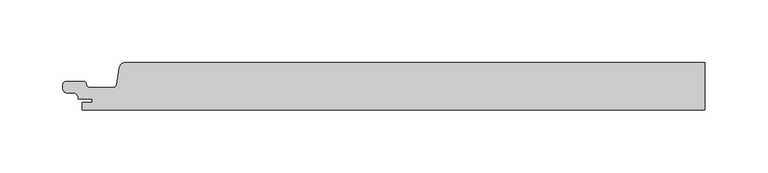
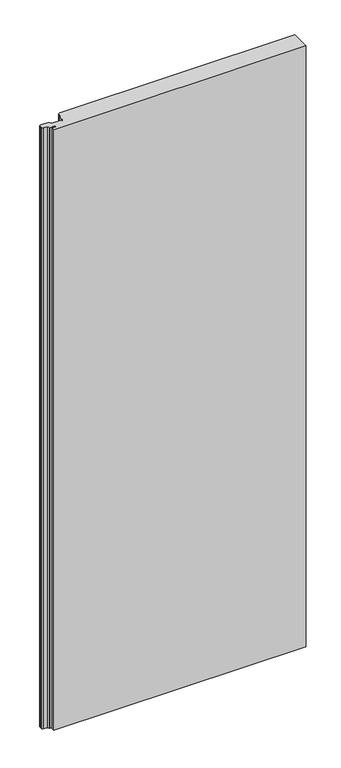
"""IFC4 building model written with IfcOpenShell, lengths in millimetres: proxy geometry."""

from ifc_helpers import new_model, si_unit, frame, origin, place, context, project, spatial, polyline, circle_curve, source, transform, mapped, element, save
from ifc_brep_helpers import plane_surface, cylinder_surface, revolved_surface, advanced_brep


def generic_models_e8ea51d4(model_context):
    return source(origin(), model_context, "Body", "AdvancedBrep", [
        advanced_brep(
        [(-462.1258654, 19.0, 1250.0), (-467.2618449, 14.6134595, 1250.0), (-469.4007538, 1.108914, 1250.0), (-471.869975, -1.0000008, 1250.0), (-490.8699744, -1.0000008, 1250.0), (-493.3542541, 1.4766379, 1250.0), (-495.8890733, 4.0, 1250.0), (-509.1201818, 4.0, 1250.0), (-512.3201819, 0.8, 1250.0), (-512.3201819, -1.9741325, 1250.0), (-509.3990803, -5.1619547, 1250.0), (-502.1022925, -5.8003409, 1250.0), (-500.0, -9.2119514, 1250.0), (-500.0, -10.0000004, 1250.0), (-488.8201818, -10.0000004, 1250.0), (-488.8201818, -13.0, 1250.0), (-496.8201817, -13.0, 1250.0), (-496.8201817, -19.0, 1250.0), (-3e-07, -19.0, 1250.0), (-3e-07, 19.0, 1250.0), (-496.8201817, -19.0, 0.0), (-496.8201817, -13.0, 0.0), (-488.8201818, -13.0, 0.0), (-488.8201818, -10.0000004, 0.0), (-500.0, -10.0000004, 0.0), (-500.0, -9.2119514, 0.0), (-502.1022925, -5.8003409, 0.0), (-509.3990803, -5.1619547, 0.0), (-512.3201819, -1.9741325, 0.0), (-512.3201819, 0.8, 0.0), (-509.1201818, 4.0, 0.0), (-495.8890733, 4.0, 0.0), (-493.4041499, 1.4803363, 0.0), (-490.8699744, -1.0000008, 0.0), (-471.869975, -1.0000008, 0.0), (-469.4007538, 1.108914, 0.0), (-467.2618449, 14.6134595, 0.0), (-462.1258654, 19.0, 0.0), (-3e-07, 19.0, 0.0), (-3e-07, -19.0, 0.0)],
        [
            (0, 1, circle_curve(frame((-462.186788, 13.871331, 1250.0), z_axis=(0.0, 0.0, 1.0), x_axis=(1.0, 0.0, 0.0)), 5.1290309)),
            (1, 2),
            (2, 3, circle_curve(frame((-471.8642031, 1.4932414, 1250.0), z_axis=(0.0, 0.0, -1.0), x_axis=(1.0, 0.0, 0.0)), 2.4932489)),
            (3, 4),
            (4, 5, circle_curve(frame((-491.0480249, 1.3056909, 1250.0), z_axis=(0.0, 0.0, -1.0), x_axis=(1.0, 0.0, 0.0)), 2.3125562)),
            (5, 6, circle_curve(frame((-495.7478996, 1.6540644, 1250.0), z_axis=(0.0, 0.0, 1.0), x_axis=(1.0, 0.0, 0.0)), 2.3501795)),
            (6, 7),
            (7, 8, circle_curve(frame((-509.1681836, 0.8480017, 1250.0), z_axis=(0.0, 0.0, 1.0), x_axis=(1.0, 0.0, 0.0)), 3.1523638)),
            (8, 9),
            (9, 10, circle_curve(frame((-509.0519935, -1.9116485, 1250.0), z_axis=(0.0, 0.0, 1.0), x_axis=(1.0, 0.0, 0.0)), 3.2687857)),
            (10, 11),
            (11, 12, circle_curve(frame((-503.8193353, -9.2119514, 1250.0), z_axis=(0.0, 0.0, -1.0), x_axis=(1.0, 0.0, 0.0)), 3.8193353)),
            (12, 13),
            (13, 14),
            (14, 15),
            (15, 16),
            (16, 17),
            (17, 18),
            (18, 19),
            (19, 0),
            (20, 21),
            (21, 22),
            (22, 23),
            (23, 24),
            (24, 25),
            (25, 26, circle_curve(frame((-503.8193353, -9.2119514, 0.0), z_axis=(0.0, 0.0, 1.0), x_axis=(1.0, 0.0, 0.0)), 3.8193353)),
            (26, 27),
            (27, 28, circle_curve(frame((-509.0519935, -1.9116485, 0.0), z_axis=(0.0, 0.0, -1.0), x_axis=(1.0, 0.0, 0.0)), 3.2687857)),
            (28, 29),
            (29, 30, circle_curve(frame((-509.1681836, 0.8480017, 0.0), z_axis=(0.0, 0.0, -1.0), x_axis=(1.0, 0.0, 0.0)), 3.1523638)),
            (30, 31),
            (31, 32, circle_curve(frame((-495.7478996, 1.6540644, 0.0), z_axis=(0.0, 0.0, -1.0), x_axis=(1.0, 0.0, 0.0)), 2.3501795)),
            (32, 33, circle_curve(frame((-491.0480249, 1.3056909, 0.0), z_axis=(0.0, 0.0, 1.0), x_axis=(1.0, 0.0, 0.0)), 2.3125562)),
            (33, 34),
            (34, 35, circle_curve(frame((-471.8642031, 1.4932414, 0.0), z_axis=(0.0, 0.0, 1.0), x_axis=(1.0, 0.0, 0.0)), 2.4932489)),
            (35, 36),
            (36, 37, circle_curve(frame((-462.186788, 13.871331, 0.0), z_axis=(0.0, 0.0, -1.0), x_axis=(1.0, 0.0, 0.0)), 5.1290309)),
            (37, 38),
            (38, 39),
            (39, 20),
            (18, 39),
            (38, 19),
            (37, 0),
            (36, 1),
            (35, 2),
            (34, 3),
            (33, 4),
            (32, 5),
            (31, 6),
            (30, 7),
            (29, 8),
            (28, 9),
            (27, 10),
            (26, 11),
            (25, 12),
            (24, 13),
            (23, 14),
            (22, 15),
            (21, 16),
            (20, 17),
        ],
        [
            plane_surface(frame((489.3222054, 1.8038036, 1250.0), z_axis=(0.0, 0.0, 1.0), x_axis=(0.0, -1.0, 0.0))),
            plane_surface(frame((489.3222054, 1.8038036, 0.0), z_axis=(0.0, 0.0, -1.0), x_axis=(0.0, 1.0, 0.0))),
            plane_surface(frame((-3e-07, 19.0, 1250.0), z_axis=(1.0, 0.0, 0.0), x_axis=(0.0, 0.0, -1.0))),
            plane_surface(frame((523.545754, 19.0, 1250.0), z_axis=(0.0, 1.0, 0.0), x_axis=(0.0, 0.0, -1.0))),
            cylinder_surface(frame((-462.186788, 13.871331, 0.0), z_axis=(0.0, 0.0, 1.0), x_axis=(1.0, 0.0, 0.0)), 5.1290309),
            plane_surface(frame((-467.2618449, 14.6134595, 1250.0), z_axis=(-0.9876883510848851, 0.15643439881055846, 0.0), x_axis=(0.0, 0.0, -1.0))),
            revolved_surface(polyline([(-469.37095419999997, 1.4932414, 0.0), (-469.37095419999997, 1.4932414, 1250.0)]), (-471.8642031, 1.4932414, 0.0), (0.0, 0.0, -1.0)),
            plane_surface(frame((-471.869975, -1.0000008, 1250.0), z_axis=(0.0, 1.0, 0.0), x_axis=(0.0, 0.0, -1.0))),
            revolved_surface(polyline([(-488.73546869999996, 1.3056909, 0.0), (-488.73546869999996, 1.3056909, 1250.0)]), (-491.0480249, 1.3056909, 0.0), (0.0, 0.0, -1.0)),
            cylinder_surface(frame((-495.7478996, 1.6540644, 0.0), z_axis=(0.0, 0.0, 1.0), x_axis=(1.0, 0.0, 0.0)), 2.3501795),
            plane_surface(frame((-495.8890733, 4.0, 1250.0), z_axis=(0.0, 1.0, 0.0), x_axis=(0.0, 0.0, -1.0))),
            cylinder_surface(frame((-509.1681836, 0.8480017, 0.0), z_axis=(0.0, 0.0, 1.0), x_axis=(1.0, 0.0, 0.0)), 3.1523638),
            plane_surface(frame((-512.3201819, 0.8, 1250.0), z_axis=(-1.0, 0.0, 0.0), x_axis=(0.0, 0.0, -1.0))),
            cylinder_surface(frame((-509.0519935, -1.9116485, 0.0), z_axis=(0.0, 0.0, 1.0), x_axis=(1.0, 0.0, 0.0)), 3.2687857),
            plane_surface(frame((-509.3990803, -5.1619547, 1250.0), z_axis=(-0.08715574563482881, -0.9961946978391508, 0.0), x_axis=(0.0, 0.0, -1.0))),
            revolved_surface(polyline([(-500.0, -9.2119514, 0.0), (-500.0, -9.2119514, 1250.0)]), (-503.8193353, -9.2119514, 0.0), (0.0, 0.0, -1.0)),
            plane_surface(frame((-500.0, -9.2119514, 1250.0), z_axis=(-1.0, 0.0, 0.0), x_axis=(0.0, 0.0, -1.0))),
            plane_surface(frame((-500.0, -10.0000004, 1250.0), z_axis=(0.0, -1.0, 0.0), x_axis=(0.0, 0.0, -1.0))),
            plane_surface(frame((-488.8201818, -10.0000004, 1250.0), z_axis=(-1.0, 0.0, 0.0), x_axis=(0.0, 0.0, -1.0))),
            plane_surface(frame((-488.8201818, -13.0, 1250.0), z_axis=(0.0, 1.0, 0.0), x_axis=(0.0, 0.0, -1.0))),
            plane_surface(frame((-496.8201817, -13.0, 1250.0), z_axis=(-1.0, 0.0, 0.0), x_axis=(0.0, 0.0, -1.0))),
            plane_surface(frame((-496.8201817, -19.0, 1250.0), z_axis=(0.0, -1.0, 0.0), x_axis=(0.0, 0.0, -1.0))),
        ],
        [
            (0, [[1, 2, 3, 4, 5, 6, 7, 8, 9, 10, 11, 12, 13, 14, 15, 16, 17, 18, 19, 20]]),
            (1, [[21, 22, 23, 24, 25, 26, 27, 28, 29, 30, 31, 32, 33, 34, 35, 36, 37, 38, 39, 40]]),
            (2, [[-19, 41, -39, 42]]),
            (3, [[43, -20, -42, -38]]),
            (4, [[-1, -43, -37, 44]]),
            (5, [[-2, -44, -36, 45]]),
            (6, [[-3, -45, -35, 46]]),
            (7, [[-4, -46, -34, 47]]),
            (8, [[-5, -47, -33, 48]]),
            (9, [[-6, -48, -32, 49]]),
            (10, [[-7, -49, -31, 50]]),
            (11, [[-8, -50, -30, 51]]),
            (12, [[-9, -51, -29, 52]]),
            (13, [[-10, -52, -28, 53]]),
            (14, [[-11, -53, -27, 54]]),
            (15, [[-12, -54, -26, 55]]),
            (16, [[-13, -55, -25, 56]]),
            (17, [[-14, -56, -24, 57]]),
            (18, [[-15, -57, -23, 58]]),
            (19, [[-16, -58, -22, 59]]),
            (20, [[-17, -59, -21, 60]]),
            (21, [[-60, -40, -41, -18]]),
        ],
    ),
    ])


if __name__ == "__main__":
    model = new_model("IFC4")
    model_context = context("Model", 3, world=origin())
    ifc_project = project(units=[si_unit("LENGTHUNIT", "METRE", prefix="MILLI")], contexts=[model_context])
    site = spatial("IfcSite", under=ifc_project)
    building = spatial("IfcBuilding", under=site)
    placement = place(None, origin())
    generic_models_shape = generic_models_e8ea51d4(model_context)
    element("IfcBuildingElementProxy", 1, Name="Generic Models", at=placement, inside=building, context=model_context, shape_type="MappedRepresentation", body=[
        mapped(generic_models_shape, transform((0.0, 0.0, 0.0), x_axis=(1.0, 0.0, 0.0), y_axis=(0.0, 1.0, 0.0), z_axis=(0.0, 0.0, 1.0))),
    ])
    save(model, "model.ifc")
